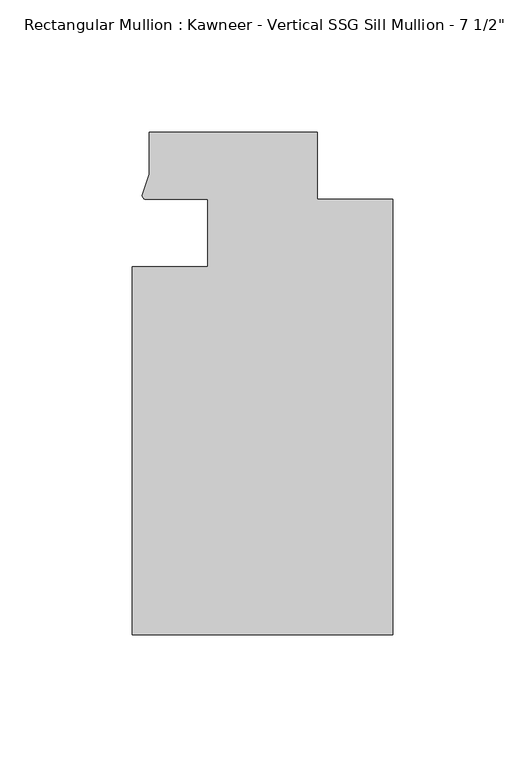
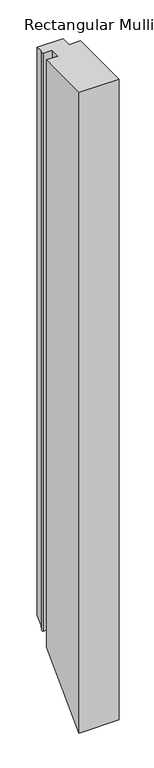
"""IFC4 building model written with IfcOpenShell, lengths in millimetres: member geometry."""

import ifcopenshell
import ifcopenshell.guid

model = None  # the IFC model being written
_history = None  # IfcOwnerHistory: only IFC2X3 demands one
_inside = {}  # id of a spatial element -> (the spatial element, [elements in it])
_under = {}  # id of a project, library or spatial element -> (it, [spatial elements below it])
_declared = {}  # id of a project -> (the project, [libraries it declares])
_typed = {}  # id of a type object -> (the type object, [elements of that type])
_made_of = {}  # id of a material, layer set ... -> (it, [elements and type objects made of it])


def new_model(schema):
    """Start an empty IFC model of exactly this schema.

    Asked for "IFC4X3", IfcOpenShell would pick the latest addendum, in which some entities
    have other attributes; the version numbers below select the first issue.
    IFC2X3 requires an IfcOwnerHistory on every rooted entity: one is made here for all.
    """
    global model, _history
    if schema == "IFC4X3":
        model = ifcopenshell.file(schema_version=(4, 3, 0, 0))
    else:
        model = ifcopenshell.file(schema=schema)
    _inside.clear()
    _under.clear()
    _declared.clear()
    _typed.clear()
    _made_of.clear()
    _history = None
    if model.schema == "IFC2X3":
        org = make("IfcOrganization", Name="unknown")
        user = make(
            "IfcPersonAndOrganization",
            ThePerson=make("IfcPerson", FamilyName="unknown"),
            TheOrganization=org,
        )
        app = make(
            "IfcApplication",
            ApplicationDeveloper=org,
            Version="unknown",
            ApplicationFullName="unknown",
            ApplicationIdentifier="unknown",
        )
        _history = make(
            "IfcOwnerHistory",
            OwningUser=user,
            OwningApplication=app,
            ChangeAction="ADDED",
            CreationDate=0,
        )
    return model


def make(cls, **values):
    """One entity of the class cls with the attributes given. An attribute that is None is left unset."""
    return model.create_entity(
        cls, **{name: value for name, value in values.items() if value is not None}
    )


def rooted(cls, **values):
    """An entity with a GlobalId (a new one), such as an element, a storey or a relation."""
    return make(cls, GlobalId=ifcopenshell.guid.new(), OwnerHistory=_history, **values)


def si_unit(unit_type, name, prefix=None):
    """IfcSIUnit, for example si_unit("LENGTHUNIT", "METRE", prefix="MILLI")."""
    return make("IfcSIUnit", UnitType=unit_type, Prefix=prefix, Name=name)


def assignment(units):
    """IfcUnitAssignment: the units of a project."""
    return None if units is None else make("IfcUnitAssignment", Units=units)


def point(xyz):
    """IfcCartesianPoint."""
    return None if xyz is None else make("IfcCartesianPoint", Coordinates=xyz)


def direction(xyz):
    """IfcDirection."""
    return None if xyz is None else make("IfcDirection", DirectionRatios=xyz)


def frame(location, z_axis=None, x_axis=None):
    """IfcAxis2Placement3D, a coordinate frame: its origin and axes. An axis left out is left unset."""
    return make(
        "IfcAxis2Placement3D",
        Location=point(location),
        Axis=direction(z_axis),
        RefDirection=direction(x_axis),
    )


def origin():
    """The frame at (0, 0, 0) with its axes left unset."""
    return frame((0.0, 0.0, 0.0))


def place(relative_to, where):
    """IfcLocalPlacement: puts the frame where relative to a parent placement (None: the world)."""
    return make(
        "IfcLocalPlacement", PlacementRelTo=relative_to, RelativePlacement=where
    )


def context(
    kind, dimensions, precision=None, world=None, true_north=None, identifier=None
):
    """IfcGeometricRepresentationContext, for example the 3D "Model" context."""
    return make(
        "IfcGeometricRepresentationContext",
        ContextIdentifier=identifier,
        ContextType=kind,
        CoordinateSpaceDimension=dimensions,
        Precision=precision,
        WorldCoordinateSystem=world,
        TrueNorth=true_north,
    )


def project(units=None, contexts=None):
    """IfcProject with its units and contexts."""
    return rooted(
        "IfcProject",
        Name="project",
        RepresentationContexts=contexts,
        UnitsInContext=assignment(units),
    )


def spatial(cls, under=None, at=None, **own):
    """A site, building, storey or space (cls), placed at a placement, below another one or the project."""
    s = rooted(cls, ObjectPlacement=at, **own)
    if under is not None:
        _under.setdefault(under.id(), (under, []))[1].append(s)
    return s


def circle_curve(where, radius):
    """IfcCircle in the frame where."""
    return make("IfcCircle", Position=where, Radius=radius)


def ellipse_curve(where, semi_axis1, semi_axis2):
    """IfcEllipse in the frame where."""
    return make(
        "IfcEllipse", Position=where, SemiAxis1=semi_axis1, SemiAxis2=semi_axis2
    )


def shape(context_of_items, identifier, shape_type, items):
    """IfcShapeRepresentation: the items that make up one representation, for example the "Body"."""
    return make(
        "IfcShapeRepresentation",
        ContextOfItems=context_of_items,
        RepresentationIdentifier=identifier,
        RepresentationType=shape_type,
        Items=items,
    )


def source(mapping_origin, context_of_items, identifier, shape_type, items):
    """IfcRepresentationMap: a shape defined once, which mapped items show again and again."""
    return make(
        "IfcRepresentationMap",
        MappingOrigin=mapping_origin,
        MappedRepresentation=shape(context_of_items, identifier, shape_type, items),
    )


def transform(
    local_origin,
    x_axis=None,
    y_axis=None,
    z_axis=None,
    scale=None,
    scale2=None,
    scale3=None,
    uniform=True,
):
    """IfcCartesianTransformationOperator3D, or its non-uniform kind. x_axis, y_axis, z_axis: its Axis1, 2, 3."""
    if uniform:
        return make(
            "IfcCartesianTransformationOperator3D",
            Axis1=direction(x_axis),
            Axis2=direction(y_axis),
            LocalOrigin=point(local_origin),
            Scale=scale,
            Axis3=direction(z_axis),
        )
    return make(
        "IfcCartesianTransformationOperator3DnonUniform",
        Axis1=direction(x_axis),
        Axis2=direction(y_axis),
        LocalOrigin=point(local_origin),
        Scale=scale,
        Axis3=direction(z_axis),
        Scale2=scale2,
        Scale3=scale3,
    )


def mapped(mapping_source, mapping_target):
    """IfcMappedItem: shows the shape of a source again, moved by a transform."""
    return make(
        "IfcMappedItem", MappingSource=mapping_source, MappingTarget=mapping_target
    )


def made_of(thing, what):
    """Note that an element or type object is made of a material, layer set ...; save() writes the relation."""
    if what is not None:
        _made_of.setdefault(what.id(), (what, []))[1].append(thing)
    return thing


def element(
    cls,
    number,
    at=None,
    inside=None,
    cuts=None,
    type_object=None,
    material=None,
    context=None,
    identifier="Body",
    shape_type=None,
    held_by="IfcProductDefinitionShape",
    body=None,
    shapes=None,
    **own,
):
    """One element of the class cls, such as IfcWall. Its Tag is "e" and its number.

    at: its placement. inside: the storey or other place that contains it. cuts: it is an
    opening in that element (IfcRelVoidsElement). A single representation is given by context,
    identifier, shape_type and body (its items); several are given by shapes. held_by: the class
    of the entity that holds the representations. save() writes the other relations.
    """
    e = rooted(cls, Tag="e%d" % number, ObjectPlacement=at, **own)
    if body is not None:
        shapes = [shape(context, identifier, shape_type, body)]
    if shapes is not None:
        e.Representation = make(held_by, Representations=shapes)
    if inside is not None:
        _inside.setdefault(inside.id(), (inside, []))[1].append(e)
    if cuts is not None:
        rooted(
            "IfcRelVoidsElement", RelatingBuildingElement=cuts, RelatedOpeningElement=e
        )
    if type_object is not None:
        _typed.setdefault(type_object.id(), (type_object, []))[1].append(e)
    return made_of(e, material)


def aggregate(whole, parts):
    """IfcRelAggregates: a whole, such as a stair, and the parts it consists of."""
    return rooted("IfcRelAggregates", RelatingObject=whole, RelatedObjects=parts)


def save(model, path):
    """Write the relations noted so far, then the file.

    IfcRelAggregates (storeys below a building ...), IfcRelContainedInSpatialStructure (elements
    in a storey), IfcRelDefinesByType, IfcRelAssociatesMaterial and IfcRelDeclares: one each for
    every whole, place, type object, material and project.
    """
    for whole, parts in _under.values():
        aggregate(whole, parts)
    for where, things in _inside.values():
        rooted(
            "IfcRelContainedInSpatialStructure",
            RelatedElements=things,
            RelatingStructure=where,
        )
    for kind, things in _typed.values():
        rooted("IfcRelDefinesByType", RelatedObjects=things, RelatingType=kind)
    for what, things in _made_of.values():
        rooted("IfcRelAssociatesMaterial", RelatedObjects=things, RelatingMaterial=what)
    for by, libraries in _declared.values():
        rooted("IfcRelDeclares", RelatingContext=by, RelatedDefinitions=libraries)
    model.write(path)


def plane_surface(at):
    """IfcPlane: the flat surface through the origin of the frame at, square to its z axis."""
    return make("IfcPlane", Position=at)


def cylinder_surface(at, radius):
    """IfcCylindricalSurface: all points at the distance radius from the z axis of the frame at."""
    return make("IfcCylindricalSurface", Position=at, Radius=radius)


def advanced_brep(points, edges, surfaces, faces):
    """IfcAdvancedBrep: a solid bounded by faces that lie on surfaces and meet in shared edges.

    An edge is (start, end): straight between two places in points (the first is 0);
    or (start, end, curve); or (start, end, curve, False) where it runs against its curve.
    A face is (place in surfaces, loops), or (place, loops, False) where it looks against
    its surface's normal. A loop lists edges by number (the first is 1), with a minus sign
    where the edge is run from its end to its start. The first loop is the outer one.
    """
    corners = [point(p) for p in points]
    vertices = [make("IfcVertexPoint", VertexGeometry=c) for c in corners]
    made = []
    for start, end, *more in edges:
        made.append(
            make(
                "IfcEdgeCurve",
                EdgeStart=vertices[start],
                EdgeEnd=vertices[end],
                EdgeGeometry=more[0] if more else make("IfcPolyline", Points=[corners[start], corners[end]]),
                SameSense=more[1] if len(more) > 1 else True,
            )
        )
    hull = []
    for where, loops, *sense in faces:
        bounds = []
        for j, loop in enumerate(loops):
            ring = [make("IfcOrientedEdge", EdgeElement=made[abs(k) - 1], Orientation=k > 0) for k in loop]
            bounds.append(
                make(
                    "IfcFaceOuterBound" if j == 0 else "IfcFaceBound",
                    Bound=make("IfcEdgeLoop", EdgeList=ring),
                    Orientation=True,
                )
            )
        hull.append(make("IfcAdvancedFace", Bounds=bounds, FaceSurface=surfaces[where], SameSense=sense[0] if sense else True))
    return make("IfcAdvancedBrep", Outer=make("IfcClosedShell", CfsFaces=hull))


def member_7da4f96a(model_context):
    return source(origin(), model_context, "Body", "AdvancedBrep", [
        advanced_brep(
        [(-69.85, -12.7, 0.0), (-98.425, -12.7, 0.0), (-98.425, -151.892, 0.0), (0.0, -151.892, 0.0), (0.0, 12.7, 0.0), (-28.575, 12.7, 0.0), (-28.575, 38.1, 0.0), (-92.075, 38.1, 0.0), (-92.075, 22.2250977, 0.0), (-94.7258552, 14.2884292, 0.0), (-93.1091288, 12.700061, 0.0), (-69.85, 12.700061, 0.0), (-69.85, -12.7, -1532.2331727), (-98.425, -12.7, -1532.2331727), (-98.425, -151.892, -1671.4251727), (0.0, -151.892, -1671.4251727), (0.0, 12.7, -1506.8331727), (-28.575, 12.7, -1506.8331727), (-28.575, 38.1, -1481.4331727), (-92.075, 38.1, -1481.4331727), (-92.075, 22.2250977, -1497.308075), (-94.7258552, 14.2884292, -1505.2447435), (-93.1091288, 12.700061, -1506.8331117), (-69.85, 12.700061, -1506.8331117)],
        [
            (0, 1),
            (1, 2),
            (2, 3),
            (3, 4),
            (4, 5),
            (5, 6),
            (6, 7),
            (7, 8),
            (8, 9),
            (9, 10, circle_curve(frame((-93.0262373, 14.401412, 0.0), z_axis=(0.0, 0.0, 1.0), x_axis=(-0.04866327869705179, -0.9988152408260765, 0.0)), 1.703369)),
            (10, 11),
            (11, 0),
            (0, 12),
            (12, 13),
            (13, 1),
            (13, 14),
            (14, 2),
            (14, 15),
            (15, 3),
            (15, 16),
            (16, 4),
            (16, 17),
            (17, 5),
            (17, 18),
            (18, 6),
            (18, 19),
            (19, 7),
            (19, 20),
            (20, 8),
            (20, 21),
            (21, 9),
            (21, 22, ellipse_curve(frame((-93.0262373, 14.401412, -1505.1317607), z_axis=(0.0, -0.7071067811865481, 0.707106781186547), x_axis=(0.0, 0.7071067811865469, 0.707106781186548)), 2.4089276, 1.703369)),
            (22, 10),
            (22, 23),
            (23, 11),
            (23, 12),
        ],
        [
            plane_surface(frame((0.0, -180.9935366, 0.0), z_axis=(0.0, 0.0, 1.0), x_axis=(-1.0, 0.0, 0.0))),
            plane_surface(frame((-69.85, -12.7, 0.0), z_axis=(0.0, 1.0, 0.0), x_axis=(0.0, 0.0, -1.0))),
            plane_surface(frame((-98.425, -12.7, 0.0), z_axis=(-1.0, 0.0, 0.0), x_axis=(0.0, 0.0, -1.0))),
            plane_surface(frame((-98.425, -151.892, 0.0), z_axis=(0.0, -1.0, 0.0), x_axis=(0.0, 0.0, -1.0))),
            plane_surface(frame((0.0, -151.892, 0.0), z_axis=(1.0, 0.0, 0.0), x_axis=(0.0, 0.0, -1.0))),
            plane_surface(frame((0.0, 12.7, 0.0), z_axis=(0.0, 1.0, 0.0), x_axis=(0.0, 0.0, -1.0))),
            plane_surface(frame((-28.575, 12.7, 0.0), z_axis=(1.0, 0.0, 0.0), x_axis=(0.0, 0.0, -1.0))),
            plane_surface(frame((-28.575, 38.1, 0.0), z_axis=(0.0, 1.0, 0.0), x_axis=(0.0, 0.0, -1.0))),
            plane_surface(frame((-92.075, 38.1, 0.0), z_axis=(-1.0, 0.0, 0.0), x_axis=(0.0, 0.0, -1.0))),
            plane_surface(frame((-92.075, 22.2250977, 0.0), z_axis=(-0.9484931443165878, 0.3167976565324192, 0.0), x_axis=(0.0, 0.0, -1.0))),
            cylinder_surface(frame((-93.0262373, 14.401412, 0.0), z_axis=(0.0, 0.0, 1.0000000000000002), x_axis=(-0.04866327869705179, -0.9988152408260765, 0.0)), 1.703369),
            plane_surface(frame((-93.1091288, 12.700061, 0.0), z_axis=(0.0, -1.0, 0.0), x_axis=(0.0, 0.0, -1.0))),
            plane_surface(frame((-69.85, 12.700061, 0.0), z_axis=(-1.0, 0.0, 0.0), x_axis=(0.0, 0.0, -1.0))),
            plane_surface(frame((-304.8, 0.0, -1519.5331727), z_axis=(0.0, 0.7071067811865481, -0.707106781186547), x_axis=(0.0, 0.707106781186547, 0.7071067811865481))),
        ],
        [
            (0, [[1, 2, 3, 4, 5, 6, 7, 8, 9, 10, 11, 12]]),
            (1, [[-1, 13, 14, 15]]),
            (2, [[-2, -15, 16, 17]]),
            (3, [[-3, -17, 18, 19]]),
            (4, [[-4, -19, 20, 21]]),
            (5, [[-5, -21, 22, 23]]),
            (6, [[-6, -23, 24, 25]]),
            (7, [[-7, -25, 26, 27]]),
            (8, [[-8, -27, 28, 29]]),
            (9, [[-9, -29, 30, 31]]),
            (10, [[-10, -31, 32, 33]]),
            (11, [[-11, -33, 34, 35]]),
            (12, [[-12, -35, 36, -13]]),
            (13, [[-36, -34, -32, -30, -28, -26, -24, -22, -20, -18, -16, -14]]),
        ],
    ),
    ])


if __name__ == "__main__":
    model = new_model("IFC4")
    model_context = context("Model", 3, world=origin())
    ifc_project = project(units=[si_unit("LENGTHUNIT", "METRE", prefix="MILLI")], contexts=[model_context])
    site = spatial("IfcSite", under=ifc_project)
    building = spatial("IfcBuilding", under=site)
    placement = place(None, origin())
    member_shape = member_7da4f96a(model_context)
    element("IfcMember", 1, ObjectType="Rectangular Mullion : Kawneer - Vertical SSG Sill Mullion - 7 1/2\"", at=placement, inside=building, context=model_context, shape_type="MappedRepresentation", body=[
        mapped(member_shape, transform((0.0, 0.0, 0.0), x_axis=(1.0, 0.0, 0.0), y_axis=(0.0, 1.0, 0.0), z_axis=(0.0, 0.0, 1.0))),
    ])
    save(model, "model.ifc")
